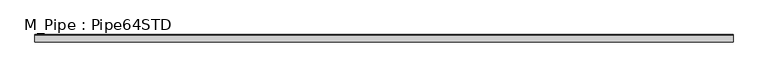
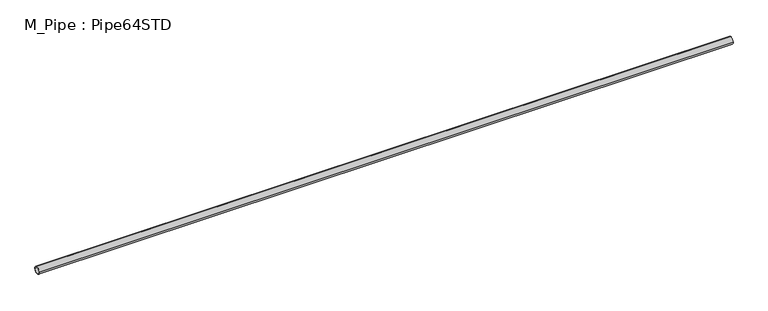
"""IFC4 building model written with IfcOpenShell, lengths in millimetres: beam geometry, M_Pipe : Pipe64STD."""

from ifc_helpers import new_model, si_unit, point, frame, origin, origin_2d, place, context, project, spatial, circle_curve, trimmed, segment, composite_curve, outline, extrude, source, transform, mapped, element, save


def m_pipe_pipe64std_0424cfb9(model_context):
    return source(origin(), model_context, "Body", "SweptSolid", [
        extrude(outline(composite_curve([segment(trimmed(circle_curve(origin_2d(), 36.6), [point((-36.6, 0.0))], [point((36.6, 0.0))], False, "CARTESIAN"), True, "CONTINUOUS"), segment(trimmed(circle_curve(origin_2d(), 36.6), [point((36.6, 0.0))], [point((-36.6, 0.0))], False, "CARTESIAN"), True, "CONTINUOUS")], self_intersect=False), holes=[composite_curve([segment(trimmed(circle_curve(origin_2d(), 31.44), [point((31.44, 0.0))], [point((-31.44, 0.0))], True, "CARTESIAN"), True, "CONTINUOUS"), segment(trimmed(circle_curve(origin_2d(), 31.44), [point((-31.44, 0.0))], [point((31.44, 0.0))], True, "CARTESIAN"), True, "CONTINUOUS")], self_intersect=False)]), frame((-3543.0, 0.0, 0.0), z_axis=(1.0, 0.0, 0.0), x_axis=(0.0, 1.0, 0.0)), (0.0, 0.0, 1.0), 7078.5),
    ])


if __name__ == "__main__":
    model = new_model("IFC4")
    model_context = context("Model", 3, world=origin())
    ifc_project = project(units=[si_unit("LENGTHUNIT", "METRE", prefix="MILLI")], contexts=[model_context])
    site = spatial("IfcSite", under=ifc_project)
    building = spatial("IfcBuilding", under=site)
    placement = place(None, origin())
    m_pipe_pipe64std_shape = m_pipe_pipe64std_0424cfb9(model_context)
    element("IfcBeam", 1, ObjectType="M_Pipe : Pipe64STD", at=placement, inside=building, context=model_context, shape_type="MappedRepresentation", body=[
        mapped(m_pipe_pipe64std_shape, transform((0.0, 0.0, 0.0), x_axis=(1.0, 0.0, 0.0), y_axis=(0.0, 1.0, 0.0), z_axis=(0.0, 0.0, 1.0))),
    ])
    save(model, "model.ifc")
